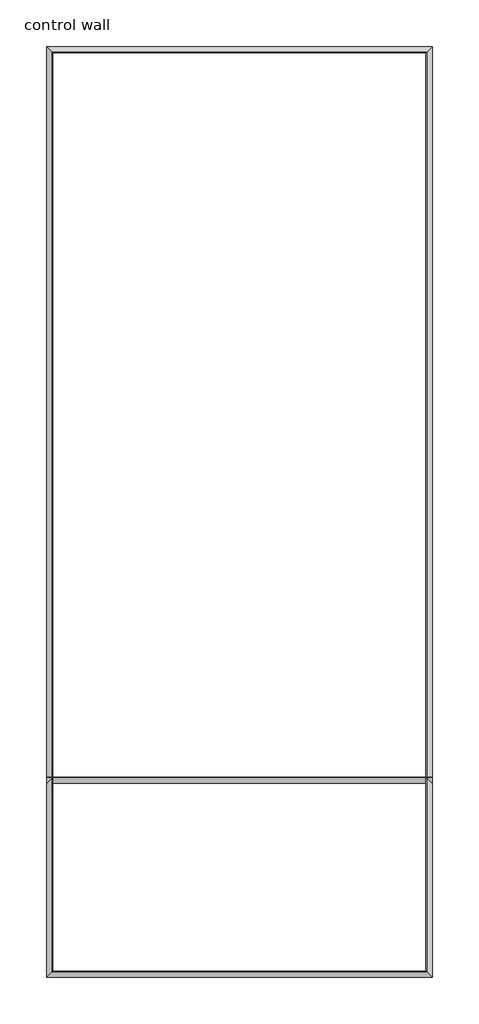
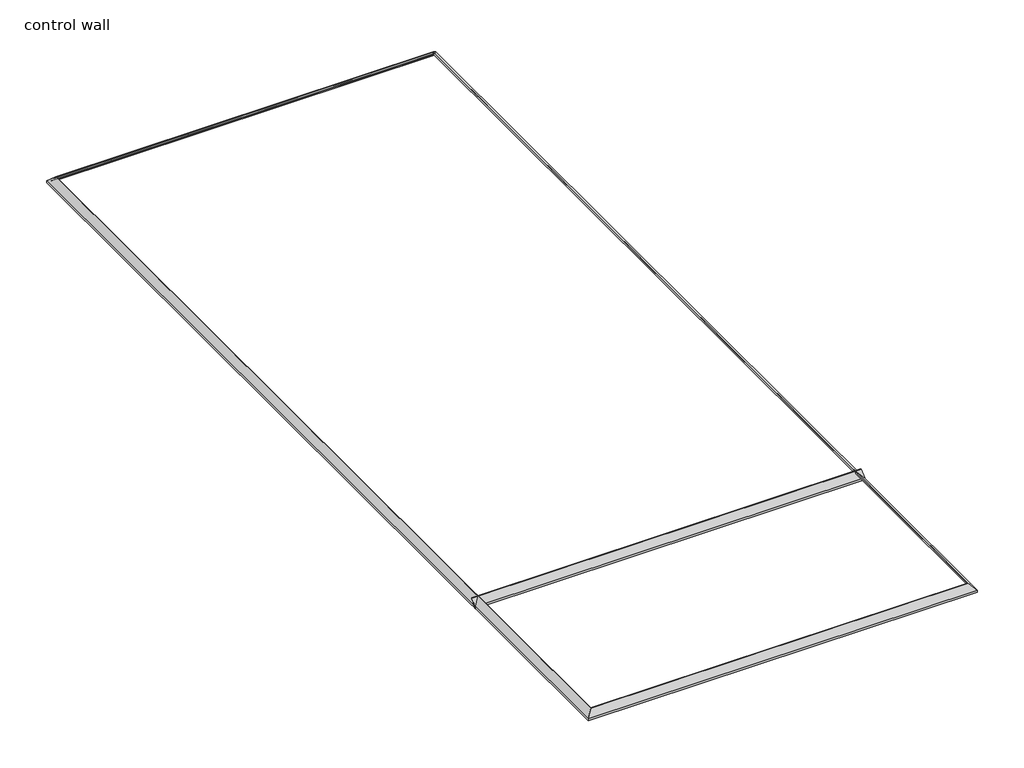
# One storey: 5 proxies.
"""IFC4 building model written with IfcOpenShell, lengths in millimetres."""

from ifc_helpers import new_model, si_unit, point, frame, frame_2d, origin, place, context, project, spatial, polyline, circle_curve, ellipse_curve, trimmed, segment, composite_curve, outline, extrude, element, save
from ifc_brep_helpers import plane_surface, cylinder_surface, revolved_surface, advanced_brep

model = new_model("IFC4")

# Units and contexts
model_context = context("Model", 3, world=origin())
ifc_project = project(units=[si_unit("LENGTHUNIT", "METRE", prefix="MILLI")], contexts=[model_context])

# Site, building, storey
site = spatial("IfcSite", under=ifc_project)
building = spatial("IfcBuilding", under=site)
storey = spatial("IfcBuildingStorey", under=building, Name="control wall", Elevation=2133.6)

# Proxies
placement = place(None, origin())
element("IfcBuildingElementProxy", 1, Name="Wall Sweeps", at=placement, inside=storey, context=model_context, shape_type="AdvancedBrep", body=[
    advanced_brep(
    [(20183.443485, -20051.7029352, 2982.9793892), (20248.4640958, -19986.6823244, 3048.0), (20256.5667938, -19978.5796264, 3048.0), (20256.5667938, -19978.5796264, 3028.95), (20246.943485, -19988.2029352, 3028.95), (20226.4188051, -20008.7276151, 3008.4253202), (20205.8941253, -20029.2522949, 2987.9006403), (20205.8941253, -20029.2522949, 2981.5506403), (20192.4237411, -20042.7226791, 2968.0802561), (20192.4237411, -20042.7226791, 2959.1), (20183.443485, -20051.7029352, 2959.1), (24577.643485, -20051.7029352, 2982.9793892), (24577.643485, -20051.7029352, 2959.1), (24568.6632288, -20042.7226791, 2959.1), (24568.6632288, -20042.7226791, 2968.0802561), (24555.1928447, -20029.2522949, 2981.5506403), (24555.1928447, -20029.2522949, 2987.9006403), (24534.6681648, -20008.7276151, 3008.4253202), (24514.143485, -19988.2029352, 3028.95), (24504.5201762, -19978.5796264, 3028.95), (24504.5201762, -19978.5796264, 3048.0), (24512.6228741, -19986.6823244, 3048.0)],
    [
        (0, 1),
        (1, 2),
        (2, 3),
        (3, 4),
        (4, 5, ellipse_curve(frame((20246.943485, -19988.2029352, 3008.4253202), z_axis=(0.7071067811865405, -0.7071067811865547, 0.0), x_axis=(0.7071067811865543, 0.7071067811865405, 0.0)), 29.0262806, 20.5246798)),
        (5, 6, ellipse_curve(frame((20205.8941253, -20029.2522949, 3008.4253202), z_axis=(-0.7071067811865405, 0.7071067811865547, 0.0), x_axis=(-0.7071067811865543, -0.7071067811865405, 0.0)), 29.0262806, 20.5246798)),
        (6, 7),
        (7, 8, ellipse_curve(frame((20205.8941253, -20029.2522949, 2968.0802561), z_axis=(0.7071067811865405, -0.7071067811865547, 0.0), x_axis=(0.7071067811865543, 0.7071067811865405, 0.0)), 19.05, 13.4703842)),
        (8, 9),
        (9, 10),
        (10, 0),
        (11, 12),
        (12, 13),
        (13, 14),
        (14, 15, ellipse_curve(frame((24555.1928447, -20029.2522949, 2968.0802561), z_axis=(-0.7071067811865547, -0.7071067811865405, 0.0), x_axis=(0.7071067811865404, -0.7071067811865547, 0.0)), 19.05, 13.4703842)),
        (15, 16),
        (16, 17, ellipse_curve(frame((24555.1928447, -20029.2522949, 3008.4253202), z_axis=(0.7071067811865547, 0.7071067811865405, 0.0), x_axis=(-0.7071067811865404, 0.7071067811865547, 0.0)), 29.0262806, 20.5246798)),
        (17, 18, ellipse_curve(frame((24514.143485, -19988.2029352, 3008.4253202), z_axis=(-0.7071067811865547, -0.7071067811865405, 0.0), x_axis=(0.7071067811865404, -0.7071067811865547, 0.0)), 29.0262806, 20.5246798)),
        (18, 19),
        (19, 20),
        (20, 21),
        (21, 11),
        (10, 12),
        (11, 0),
        (1, 21),
        (20, 2),
        (19, 3),
        (18, 4),
        (17, 5),
        (16, 6),
        (15, 7),
        (14, 8),
        (13, 9),
    ],
    [
        plane_surface(frame((20183.443485, -20051.7029352, 2654.3), z_axis=(-0.7071067811865405, 0.7071067811865547, 0.0), x_axis=(0.7071067811865547, 0.7071067811865405, 0.0))),
        plane_surface(frame((24577.643485, -20051.7029352, 2654.3), z_axis=(0.7071067811865547, 0.7071067811865405, 0.0), x_axis=(-0.7071067811865405, 0.7071067811865547, 0.0))),
        plane_surface(frame((20183.443485, -20051.7029352, 2959.1), z_axis=(0.0, -1.0, 0.0), x_axis=(1.0, 0.0, 0.0))),
        plane_surface(frame((20248.4640958, -19986.6823244, 3048.0), z_axis=(0.0, 0.0, 1.0), x_axis=(1.0, 0.0, 0.0))),
        plane_surface(frame((20183.443485, -20051.7029352, 2982.9793892), z_axis=(0.0, -0.707106781186547, 0.707106781186548), x_axis=(1.0, 0.0, 0.0))),
        plane_surface(frame((20256.5667938, -19978.5796264, 3048.0), z_axis=(0.0, 1.0, 0.0), x_axis=(1.0, 0.0, 0.0))),
        plane_surface(frame((20256.5667938, -19978.5796264, 3028.95), z_axis=(0.0, 0.0, -1.0), x_axis=(1.0, 0.0, 0.0))),
        revolved_surface(polyline([(24534.668164844883, -19967.6782554, 3008.4253202), (20226.4188051, -19967.6782554, 3008.4253202)]), (20183.443485, -19988.2029352, 3008.4253202), (1.0, 0.0, 0.0)),
        cylinder_surface(frame((20183.443485, -20029.2522949, 3008.4253202), z_axis=(-1.0, 0.0, 0.0), x_axis=(0.0, 1.0, 0.0)), 20.5246798),
        plane_surface(frame((20205.8941253, -20029.2522949, 2987.9006403), z_axis=(0.0, 1.0, 0.0), x_axis=(1.0, 0.0, 0.0))),
        revolved_surface(polyline([(24568.663228881604, -20015.7819107, 2968.0802561), (20192.4237411, -20015.7819107, 2968.0802561)]), (20183.443485, -20029.2522949, 2968.0802561), (1.0, 0.0, 0.0)),
        plane_surface(frame((20192.4237411, -20042.7226791, 2968.0802561), z_axis=(0.0, 1.0, 0.0), x_axis=(1.0, 0.0, 0.0))),
        plane_surface(frame((20192.4237411, -20042.7226791, 2959.1), z_axis=(0.0, 0.0, -1.0), x_axis=(1.0, 0.0, 0.0))),
    ],
    [
        (0, [[1, 2, 3, 4, 5, 6, 7, 8, 9, 10, 11]]),
        (1, [[12, 13, 14, 15, 16, 17, 18, 19, 20, 21, 22]]),
        (2, [[-11, 23, -12, 24]]),
        (3, [[-2, 25, -21, 26]]),
        (4, [[-1, -24, -22, -25]]),
        (5, [[-3, -26, -20, 27]]),
        (6, [[-4, -27, -19, 28]]),
        (7, [[-5, -28, -18, 29]]),
        (8, [[-6, -29, -17, 30]]),
        (9, [[-7, -30, -16, 31]]),
        (10, [[-8, -31, -15, 32]]),
        (11, [[-9, -32, -14, 33]]),
        (12, [[-10, -33, -13, -23]]),
    ],
),
])
element("IfcBuildingElementProxy", 2, Name="Wall Sweeps", at=placement, inside=storey, context=model_context, shape_type="AdvancedBrep", body=[
    advanced_brep(
    [(24577.643485, -20051.7029352, 2982.9793892), (24512.6228741, -19986.6823244, 3048.0), (24504.5201762, -19978.5796264, 3048.0), (24504.5201762, -19978.5796264, 3028.95), (24514.143485, -19988.2029352, 3028.95), (24534.6681648, -20008.7276151, 3008.4253202), (24555.1928447, -20029.2522949, 2987.9006403), (24555.1928447, -20029.2522949, 2981.5506403), (24568.6632288, -20042.7226791, 2968.0802561), (24568.6632288, -20042.7226791, 2959.1), (24577.643485, -20051.7029352, 2959.1), (24577.643485, -9463.0779352, 2982.9793892), (24577.643485, -9463.0779352, 2959.1), (24568.6632288, -9472.0581913, 2959.1), (24568.6632288, -9472.0581913, 2968.0802561), (24555.1928447, -9485.5285755, 2981.5506403), (24555.1928447, -9485.5285755, 2987.9006403), (24534.6681648, -9506.0532554, 3008.4253202), (24514.143485, -9526.5779352, 3028.95), (24504.5201762, -9536.201244, 3028.95), (24504.5201762, -9536.201244, 3048.0), (24512.6228741, -9528.098546, 3048.0)],
    [
        (0, 1),
        (1, 2),
        (2, 3),
        (3, 4),
        (4, 5, ellipse_curve(frame((24514.143485, -19988.2029352, 3008.4253202), z_axis=(0.7071067811865547, 0.7071067811865405, 0.0), x_axis=(-0.7071067811865406, 0.7071067811865546, 0.0)), 29.0262806, 20.5246798)),
        (5, 6, ellipse_curve(frame((24555.1928447, -20029.2522949, 3008.4253202), z_axis=(-0.7071067811865547, -0.7071067811865405, 0.0), x_axis=(0.7071067811865406, -0.7071067811865546, 0.0)), 29.0262806, 20.5246798)),
        (6, 7),
        (7, 8, ellipse_curve(frame((24555.1928447, -20029.2522949, 2968.0802561), z_axis=(0.7071067811865547, 0.7071067811865405, 0.0), x_axis=(-0.7071067811865406, 0.7071067811865546, 0.0)), 19.05, 13.4703842)),
        (8, 9),
        (9, 10),
        (10, 0),
        (11, 12),
        (12, 13),
        (13, 14),
        (14, 15, ellipse_curve(frame((24555.1928447, -9485.5285755, 2968.0802561), z_axis=(0.707106781186544, -0.7071067811865511, 0.0), x_axis=(0.7071067811865512, 0.7071067811865438, 0.0)), 19.05, 13.4703842)),
        (15, 16),
        (16, 17, ellipse_curve(frame((24555.1928447, -9485.5285755, 3008.4253202), z_axis=(-0.707106781186544, 0.7071067811865511, 0.0), x_axis=(-0.7071067811865512, -0.7071067811865438, 0.0)), 29.0262806, 20.5246798)),
        (17, 18, ellipse_curve(frame((24514.143485, -9526.5779352, 3008.4253202), z_axis=(0.707106781186544, -0.7071067811865511, 0.0), x_axis=(0.7071067811865512, 0.7071067811865438, 0.0)), 29.0262806, 20.5246798)),
        (18, 19),
        (19, 20),
        (20, 21),
        (21, 11),
        (1, 21),
        (20, 2),
        (10, 12),
        (11, 0),
        (19, 3),
        (18, 4),
        (17, 5),
        (16, 6),
        (15, 7),
        (14, 8),
        (13, 9),
    ],
    [
        plane_surface(frame((24577.643485, -20051.7029352, 2654.3), z_axis=(-0.7071067811865547, -0.7071067811865405, 0.0), x_axis=(-0.7071067811865405, 0.7071067811865547, 0.0))),
        plane_surface(frame((24577.643485, -9463.0779352, 2654.3), z_axis=(-0.707106781186544, 0.7071067811865511, 0.0), x_axis=(-0.7071067811865511, -0.707106781186544, 0.0))),
        plane_surface(frame((24512.6228741, -19986.6823244, 3048.0), z_axis=(0.0, 0.0, 1.0), x_axis=(0.0, 1.0, 0.0))),
        plane_surface(frame((24577.643485, -20051.7029352, 2959.1), z_axis=(1.0, 0.0, 0.0), x_axis=(0.0, 1.0, 0.0))),
        plane_surface(frame((24577.643485, -20051.7029352, 2982.9793892), z_axis=(0.707106781186547, 0.0, 0.707106781186548), x_axis=(0.0, 1.0, 0.0))),
        plane_surface(frame((24504.5201762, -19978.5796264, 3048.0), z_axis=(-1.0, 0.0, 0.0), x_axis=(0.0, 1.0, 0.0))),
        plane_surface(frame((24504.5201762, -19978.5796264, 3028.95), z_axis=(0.0, 0.0, -1.0), x_axis=(0.0, 1.0, 0.0))),
        revolved_surface(polyline([(24493.6188052, -9506.053255355117, 3008.4253202), (24493.6188052, -20008.7276151, 3008.4253202)]), (24514.143485, -20051.7029352, 3008.4253202), (0.0, 1.0, 0.0)),
        cylinder_surface(frame((24555.1928447, -20051.7029352, 3008.4253202), z_axis=(0.0, -1.0, 0.0), x_axis=(-1.0, 0.0, 0.0)), 20.5246798),
        plane_surface(frame((24555.1928447, -20029.2522949, 2987.9006403), z_axis=(-1.0, 0.0, 0.0), x_axis=(0.0, 1.0, 0.0))),
        revolved_surface(polyline([(24541.722460499997, -9472.0581913, 2968.0802561), (24541.722460499997, -20042.7226791, 2968.0802561)]), (24555.1928447, -20051.7029352, 2968.0802561), (0.0, 1.0, 0.0)),
        plane_surface(frame((24568.6632288, -20042.7226791, 2968.0802561), z_axis=(-1.0, 0.0, 0.0), x_axis=(0.0, 1.0, 0.0))),
        plane_surface(frame((24568.6632288, -20042.7226791, 2959.1), z_axis=(0.0, 0.0, -1.0), x_axis=(0.0, 1.0, 0.0))),
    ],
    [
        (0, [[1, 2, 3, 4, 5, 6, 7, 8, 9, 10, 11]]),
        (1, [[12, 13, 14, 15, 16, 17, 18, 19, 20, 21, 22]]),
        (2, [[-2, 23, -21, 24]]),
        (3, [[-11, 25, -12, 26]]),
        (4, [[-1, -26, -22, -23]]),
        (5, [[-3, -24, -20, 27]]),
        (6, [[-4, -27, -19, 28]]),
        (7, [[-5, -28, -18, 29]]),
        (8, [[-6, -29, -17, 30]]),
        (9, [[-7, -30, -16, 31]]),
        (10, [[-8, -31, -15, 32]]),
        (11, [[-9, -32, -14, 33]]),
        (12, [[-10, -33, -13, -25]]),
    ],
),
])
element("IfcBuildingElementProxy", 3, Name="Wall Sweeps", at=placement, inside=storey, context=model_context, shape_type="AdvancedBrep", body=[
    advanced_brep(
    [(20183.443485, -9463.0779352, 2982.9793892), (20183.443485, -9463.0779352, 2959.1), (20192.4237411, -9472.0581913, 2959.1), (20192.4237411, -9472.0581913, 2968.0802561), (20205.8941253, -9485.5285755, 2981.5506403), (20205.8941253, -9485.5285755, 2987.9006403), (20226.4188051, -9506.0532554, 3008.4253202), (20246.943485, -9526.5779352, 3028.95), (20256.5667938, -9536.201244, 3028.95), (20256.5667938, -9536.201244, 3048.0), (20248.4640958, -9528.098546, 3048.0), (24577.643485, -9463.0779352, 2982.9793892), (24512.6228741, -9528.098546, 3048.0), (24504.5201762, -9536.201244, 3048.0), (24504.5201762, -9536.201244, 3028.95), (24514.143485, -9526.5779352, 3028.95), (24534.6681648, -9506.0532554, 3008.4253202), (24555.1928447, -9485.5285755, 2987.9006403), (24555.1928447, -9485.5285755, 2981.5506403), (24568.6632288, -9472.0581913, 2968.0802561), (24568.6632288, -9472.0581913, 2959.1), (24577.643485, -9463.0779352, 2959.1)],
    [
        (0, 1),
        (1, 2),
        (2, 3),
        (3, 4, ellipse_curve(frame((20205.8941253, -9485.5285755, 2968.0802561), z_axis=(0.7071067811865529, 0.7071067811865422, 0.0), x_axis=(0.707106781186542, -0.707106781186553, 0.0)), 19.05, 13.4703842)),
        (4, 5),
        (5, 6, ellipse_curve(frame((20205.8941253, -9485.5285755, 3008.4253202), z_axis=(-0.7071067811865529, -0.7071067811865422, 0.0), x_axis=(-0.707106781186542, 0.707106781186553, 0.0)), 29.0262806, 20.5246798)),
        (6, 7, ellipse_curve(frame((20246.943485, -9526.5779352, 3008.4253202), z_axis=(0.7071067811865529, 0.7071067811865422, 0.0), x_axis=(0.707106781186542, -0.707106781186553, 0.0)), 29.0262806, 20.5246798)),
        (7, 8),
        (8, 9),
        (9, 10),
        (10, 0),
        (11, 12),
        (12, 13),
        (13, 14),
        (14, 15),
        (15, 16, ellipse_curve(frame((24514.143485, -9526.5779352, 3008.4253202), z_axis=(-0.707106781186544, 0.7071067811865511, 0.0), x_axis=(0.707106781186551, 0.707106781186544, 0.0)), 29.0262806, 20.5246798)),
        (16, 17, ellipse_curve(frame((24555.1928447, -9485.5285755, 3008.4253202), z_axis=(0.707106781186544, -0.7071067811865511, 0.0), x_axis=(-0.707106781186551, -0.707106781186544, 0.0)), 29.0262806, 20.5246798)),
        (17, 18),
        (18, 19, ellipse_curve(frame((24555.1928447, -9485.5285755, 2968.0802561), z_axis=(-0.707106781186544, 0.7071067811865511, 0.0), x_axis=(0.707106781186551, 0.707106781186544, 0.0)), 19.05, 13.4703842)),
        (19, 20),
        (20, 21),
        (21, 11),
        (0, 11),
        (21, 1),
        (20, 2),
        (19, 3),
        (18, 4),
        (17, 5),
        (16, 6),
        (15, 7),
        (14, 8),
        (13, 9),
        (12, 10),
    ],
    [
        plane_surface(frame((20183.443485, -9463.0779352, 3263.9), z_axis=(-0.7071067811865529, -0.7071067811865422, 0.0), x_axis=(0.7071067811865422, -0.7071067811865529, 0.0))),
        plane_surface(frame((24577.643485, -9463.0779352, 3263.9), z_axis=(0.707106781186544, -0.7071067811865511, 0.0), x_axis=(-0.7071067811865511, -0.707106781186544, 0.0))),
        plane_surface(frame((20183.443485, -9463.0779352, 2982.9793892), z_axis=(0.0, 1.0, 0.0), x_axis=(1.0, 0.0, 0.0))),
        plane_surface(frame((20183.443485, -9463.0779352, 2959.1), z_axis=(0.0, 0.0, -1.0), x_axis=(1.0, 0.0, 0.0))),
        plane_surface(frame((20192.4237411, -9472.0581913, 2959.1), z_axis=(0.0, -1.0, 0.0), x_axis=(1.0, 0.0, 0.0))),
        revolved_surface(polyline([(24568.663228881604, -9498.9989597, 2968.0802561), (20192.4237411, -9498.9989597, 2968.0802561)]), (20183.443485, -9485.5285755, 2968.0802561), (1.0, 0.0, 0.0)),
        plane_surface(frame((20205.8941253, -9485.5285755, 2981.5506403), z_axis=(0.0, -1.0, 0.0), x_axis=(1.0, 0.0, 0.0))),
        cylinder_surface(frame((20183.443485, -9485.5285755, 3008.4253202), z_axis=(-1.0, 0.0, 0.0), x_axis=(0.0, -1.0, 0.0)), 20.5246798),
        revolved_surface(polyline([(24534.668164844883, -9547.102615000002, 3008.4253202), (20226.4188051, -9547.102615000002, 3008.4253202)]), (20183.443485, -9526.5779352, 3008.4253202), (1.0, 0.0, 0.0)),
        plane_surface(frame((20246.943485, -9526.5779352, 3028.95), z_axis=(0.0, 0.0, -1.0), x_axis=(1.0, 0.0, 0.0))),
        plane_surface(frame((20256.5667938, -9536.201244, 3028.95), z_axis=(0.0, -1.0, 0.0), x_axis=(1.0, 0.0, 0.0))),
        plane_surface(frame((20256.5667938, -9536.201244, 3048.0), z_axis=(0.0, 0.0, 1.0), x_axis=(1.0, 0.0, 0.0))),
        plane_surface(frame((20248.4640958, -9528.098546, 3048.0), z_axis=(0.0, 0.707106781186547, 0.707106781186548), x_axis=(1.0, 0.0, 0.0))),
    ],
    [
        (0, [[1, 2, 3, 4, 5, 6, 7, 8, 9, 10, 11]]),
        (1, [[12, 13, 14, 15, 16, 17, 18, 19, 20, 21, 22]]),
        (2, [[-1, 23, -22, 24]]),
        (3, [[-2, -24, -21, 25]]),
        (4, [[-3, -25, -20, 26]]),
        (5, [[-4, -26, -19, 27]]),
        (6, [[-5, -27, -18, 28]]),
        (7, [[-6, -28, -17, 29]]),
        (8, [[-7, -29, -16, 30]]),
        (9, [[-8, -30, -15, 31]]),
        (10, [[-9, -31, -14, 32]]),
        (11, [[-10, -32, -13, 33]]),
        (12, [[-11, -33, -12, -23]]),
    ],
),
])
element("IfcBuildingElementProxy", 4, Name="Wall Sweeps", at=placement, inside=storey, context=model_context, shape_type="AdvancedBrep", body=[
    advanced_brep(
    [(20183.443485, -20051.7029352, 2982.9793892), (20183.443485, -20051.7029352, 2959.1), (20192.4237411, -20042.7226791, 2959.1), (20192.4237411, -20042.7226791, 2968.0802561), (20205.8941253, -20029.2522949, 2981.5506403), (20205.8941253, -20029.2522949, 2987.9006403), (20226.4188051, -20008.7276151, 3008.4253202), (20246.943485, -19988.2029352, 3028.95), (20256.5667938, -19978.5796264, 3028.95), (20256.5667938, -19978.5796264, 3048.0), (20248.4640958, -19986.6823244, 3048.0), (20183.443485, -9463.0779352, 2982.9793892), (20248.4640958, -9528.098546, 3048.0), (20256.5667938, -9536.201244, 3048.0), (20256.5667938, -9536.201244, 3028.95), (20246.943485, -9526.5779352, 3028.95), (20226.4188051, -9506.0532554, 3008.4253202), (20205.8941253, -9485.5285755, 2987.9006403), (20205.8941253, -9485.5285755, 2981.5506403), (20192.4237411, -9472.0581913, 2968.0802561), (20192.4237411, -9472.0581913, 2959.1), (20183.443485, -9463.0779352, 2959.1)],
    [
        (0, 1),
        (1, 2),
        (2, 3),
        (3, 4, ellipse_curve(frame((20205.8941253, -20029.2522949, 2968.0802561), z_axis=(-0.7071067811865405, 0.7071067811865547, 0.0), x_axis=(0.7071067811865548, 0.7071067811865402, 0.0)), 19.05, 13.4703842)),
        (4, 5),
        (5, 6, ellipse_curve(frame((20205.8941253, -20029.2522949, 3008.4253202), z_axis=(0.7071067811865405, -0.7071067811865547, 0.0), x_axis=(-0.7071067811865548, -0.7071067811865402, 0.0)), 29.0262806, 20.5246798)),
        (6, 7, ellipse_curve(frame((20246.943485, -19988.2029352, 3008.4253202), z_axis=(-0.7071067811865405, 0.7071067811865547, 0.0), x_axis=(0.7071067811865548, 0.7071067811865402, 0.0)), 29.0262806, 20.5246798)),
        (7, 8),
        (8, 9),
        (9, 10),
        (10, 0),
        (11, 12),
        (12, 13),
        (13, 14),
        (14, 15),
        (15, 16, ellipse_curve(frame((20246.943485, -9526.5779352, 3008.4253202), z_axis=(-0.7071067811865529, -0.7071067811865422, 0.0), x_axis=(-0.7071067811865422, 0.7071067811865528, 0.0)), 29.0262806, 20.5246798)),
        (16, 17, ellipse_curve(frame((20205.8941253, -9485.5285755, 3008.4253202), z_axis=(0.7071067811865529, 0.7071067811865422, 0.0), x_axis=(0.7071067811865422, -0.7071067811865528, 0.0)), 29.0262806, 20.5246798)),
        (17, 18),
        (18, 19, ellipse_curve(frame((20205.8941253, -9485.5285755, 2968.0802561), z_axis=(-0.7071067811865529, -0.7071067811865422, 0.0), x_axis=(-0.7071067811865422, 0.7071067811865528, 0.0)), 19.05, 13.4703842)),
        (19, 20),
        (20, 21),
        (21, 11),
        (0, 11),
        (21, 1),
        (20, 2),
        (19, 3),
        (18, 4),
        (17, 5),
        (16, 6),
        (15, 7),
        (14, 8),
        (13, 9),
        (12, 10),
    ],
    [
        plane_surface(frame((20183.443485, -20051.7029352, 3263.9), z_axis=(0.7071067811865405, -0.7071067811865547, 0.0), x_axis=(0.7071067811865547, 0.7071067811865405, 0.0))),
        plane_surface(frame((20183.443485, -9463.0779352, 3263.9), z_axis=(0.7071067811865529, 0.7071067811865422, 0.0), x_axis=(0.7071067811865422, -0.7071067811865529, 0.0))),
        plane_surface(frame((20183.443485, -20051.7029352, 2982.9793892), z_axis=(-1.0, 0.0, 0.0), x_axis=(0.0, 1.0, 0.0))),
        plane_surface(frame((20183.443485, -20051.7029352, 2959.1), z_axis=(0.0, 0.0, -1.0), x_axis=(0.0, 1.0, 0.0))),
        plane_surface(frame((20192.4237411, -20042.7226791, 2959.1), z_axis=(1.0, 0.0, 0.0), x_axis=(0.0, 1.0, 0.0))),
        revolved_surface(polyline([(20219.364509500003, -9472.0581913, 2968.0802561), (20219.364509500003, -20042.7226791, 2968.0802561)]), (20205.8941253, -20051.7029352, 2968.0802561), (0.0, 1.0, 0.0)),
        plane_surface(frame((20205.8941253, -20029.2522949, 2981.5506403), z_axis=(1.0, 0.0, 0.0), x_axis=(0.0, 1.0, 0.0))),
        cylinder_surface(frame((20205.8941253, -20051.7029352, 3008.4253202), z_axis=(0.0, -1.0, 0.0), x_axis=(1.0, 0.0, 0.0)), 20.5246798),
        revolved_surface(polyline([(20267.4681648, -9506.053255355117, 3008.4253202), (20267.4681648, -20008.7276151, 3008.4253202)]), (20246.943485, -20051.7029352, 3008.4253202), (0.0, 1.0, 0.0)),
        plane_surface(frame((20246.943485, -19988.2029352, 3028.95), z_axis=(0.0, 0.0, -1.0), x_axis=(0.0, 1.0, 0.0))),
        plane_surface(frame((20256.5667938, -19978.5796264, 3028.95), z_axis=(1.0, 0.0, 0.0), x_axis=(0.0, 1.0, 0.0))),
        plane_surface(frame((20256.5667938, -19978.5796264, 3048.0), z_axis=(0.0, 0.0, 1.0), x_axis=(0.0, 1.0, 0.0))),
        plane_surface(frame((20248.4640958, -19986.6823244, 3048.0), z_axis=(-0.707106781186547, 0.0, 0.707106781186548), x_axis=(0.0, 1.0, 0.0))),
    ],
    [
        (0, [[1, 2, 3, 4, 5, 6, 7, 8, 9, 10, 11]]),
        (1, [[12, 13, 14, 15, 16, 17, 18, 19, 20, 21, 22]]),
        (2, [[-1, 23, -22, 24]]),
        (3, [[-2, -24, -21, 25]]),
        (4, [[-3, -25, -20, 26]]),
        (5, [[-4, -26, -19, 27]]),
        (6, [[-5, -27, -18, 28]]),
        (7, [[-6, -28, -17, 29]]),
        (8, [[-7, -29, -16, 30]]),
        (9, [[-8, -30, -15, 31]]),
        (10, [[-9, -31, -14, 32]]),
        (11, [[-10, -32, -13, 33]]),
        (12, [[-11, -33, -12, -23]]),
    ],
),
])
element("IfcBuildingElementProxy", 5, Name="Wall Sweeps", at=placement, inside=storey, context=model_context, shape_type="SweptSolid", body=[
    extrude(outline(composite_curve([segment(polyline([(-17845.0779352, 2982.9793892), (-17780.0573244, 3048.0), (-17771.9546264, 3048.0), (-17771.9546264, 3028.95), (-17781.5779352, 3028.95)]), True, "CONTINUOUS"), segment(trimmed(circle_curve(frame_2d((-17781.5779352, 3008.4253202)), 20.5246798), [point((-17781.5779352, 3028.95))], [point((-17802.1026151, 3008.4253202))], True, "CARTESIAN"), True, "CONTINUOUS"), segment(trimmed(circle_curve(frame_2d((-17822.6272949, 3008.4253202)), 20.5246798), [point((-17802.1026151, 3008.4253202))], [point((-17822.6272949, 2987.9006403))], False, "CARTESIAN"), True, "CONTINUOUS"), segment(polyline([(-17822.6272949, 2987.9006403), (-17822.6272949, 2981.5506403)]), True, "CONTINUOUS"), segment(trimmed(circle_curve(frame_2d((-17822.6272949, 2968.0802561)), 13.4703842), [point((-17822.6272949, 2981.5506403))], [point((-17836.0976791, 2968.0802561))], True, "CARTESIAN"), True, "CONTINUOUS"), segment(polyline([(-17836.0976791, 2968.0802561), (-17836.0976791, 2959.1), (-17845.0779352, 2959.1), (-17845.0779352, 2982.9793892)]), True, "CONTINUOUS")], self_intersect=False)), frame((20183.443485, 0.0, 0.0), z_axis=(1.0, 0.0, 0.0), x_axis=(0.0, 1.0, 0.0)), (0.0, 0.0, 1.0), 4394.2),
])

save(model, "model.ifc")
